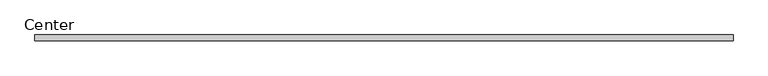
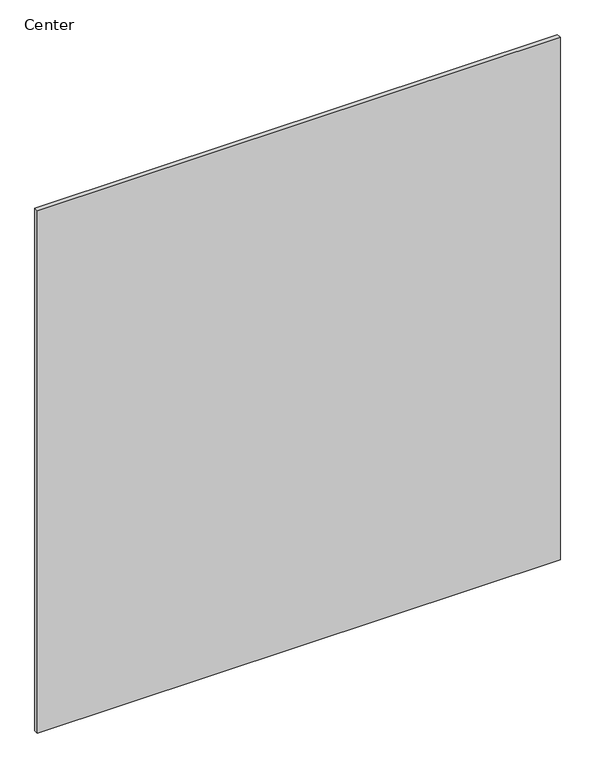
"""IFC4 building model written with IfcOpenShell, lengths in millimetres: plate geometry, Center."""

from ifc_helpers import new_model, si_unit, origin, origin_with_axes, place, context, project, spatial, polyline, outline, extrude, source, transform, mapped, element, save


def center_53bed504(model_context):
    return source(origin(), model_context, "Body", "SweptSolid", [
        extrude(outline(polyline([(580.8999999, 4.7625), (580.8999999, -4.7625), (-560.2624999, -4.7625), (-560.2624999, 4.7625), (580.8999999, 4.7625)])), origin_with_axes(), (0.0, 0.0, 1.0), 1205.0499991),
    ])


if __name__ == "__main__":
    model = new_model("IFC4")
    model_context = context("Model", 3, world=origin())
    ifc_project = project(units=[si_unit("LENGTHUNIT", "METRE", prefix="MILLI")], contexts=[model_context])
    site = spatial("IfcSite", under=ifc_project)
    building = spatial("IfcBuilding", under=site)
    placement = place(None, origin())
    center_shape = center_53bed504(model_context)
    element("IfcPlate", 1, ObjectType="Center", at=placement, inside=building, context=model_context, shape_type="MappedRepresentation", body=[
        mapped(center_shape, transform((0.0, 0.0, 0.0), x_axis=(1.0, 0.0, 0.0), y_axis=(0.0, 1.0, 0.0), z_axis=(0.0, 0.0, 1.0))),
    ])
    save(model, "model.ifc")
